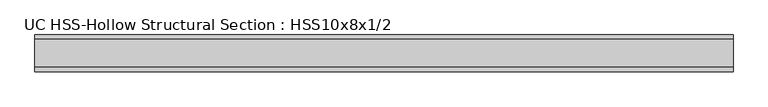
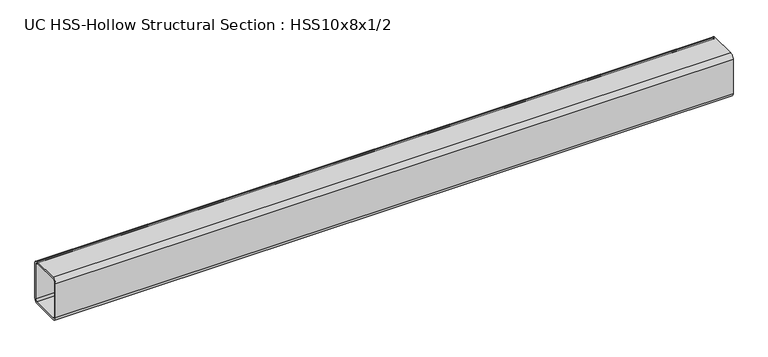
"""IFC4 building model written with IfcOpenShell, lengths in millimetres: beam geometry, UC HSS-Hollow Structural Section : HSS10x8x1/2."""

from ifc_helpers import new_model, si_unit, point, frame, frame_2d, origin, place, context, project, spatial, polyline, circle_curve, trimmed, segment, composite_curve, outline, extrude, source, transform, mapped, element, save


def uc_hss_hollow_structural_section_hss10x8x1_2_d5cf9301(model_context):
    return source(origin(), model_context, "Body", "SweptSolid", [
        extrude(outline(composite_curve([segment(trimmed(circle_curve(frame_2d((-77.978, 103.378)), 23.622), [point((-101.6, 103.378))], [point((-77.978, 127.0))], False, "CARTESIAN"), True, "CONTINUOUS"), segment(polyline([(-77.978, 127.0), (77.978, 127.0)]), True, "CONTINUOUS"), segment(trimmed(circle_curve(frame_2d((77.978, 103.378)), 23.622), [point((77.978, 127.0))], [point((101.6, 103.378))], False, "CARTESIAN"), True, "CONTINUOUS"), segment(polyline([(101.6, 103.378), (101.6, -103.378)]), True, "CONTINUOUS"), segment(trimmed(circle_curve(frame_2d((77.978, -103.378)), 23.622), [point((101.6, -103.378))], [point((77.978, -127.0))], False, "CARTESIAN"), True, "CONTINUOUS"), segment(polyline([(77.978, -127.0), (-77.978, -127.0)]), True, "CONTINUOUS"), segment(trimmed(circle_curve(frame_2d((-77.978, -103.378)), 23.622), [point((-77.978, -127.0))], [point((-101.6, -103.378))], False, "CARTESIAN"), True, "CONTINUOUS"), segment(polyline([(-101.6, -103.378), (-101.6, 103.378)]), True, "CONTINUOUS")], self_intersect=False), holes=[composite_curve([segment(polyline([(77.978, 115.189), (-77.978, 115.189)]), True, "CONTINUOUS"), segment(trimmed(circle_curve(frame_2d((-77.978, 103.378)), 11.811), [point((-77.978, 115.189))], [point((-89.789, 103.378))], True, "CARTESIAN"), True, "CONTINUOUS"), segment(polyline([(-89.789, 103.378), (-89.789, -103.378)]), True, "CONTINUOUS"), segment(trimmed(circle_curve(frame_2d((-77.978, -103.378)), 11.811), [point((-89.789, -103.378))], [point((-77.978, -115.189))], True, "CARTESIAN"), True, "CONTINUOUS"), segment(polyline([(-77.978, -115.189), (77.978, -115.189)]), True, "CONTINUOUS"), segment(trimmed(circle_curve(frame_2d((77.978, -103.378)), 11.811), [point((77.978, -115.189))], [point((89.789, -103.378))], True, "CARTESIAN"), True, "CONTINUOUS"), segment(polyline([(89.789, -103.378), (89.789, 103.378)]), True, "CONTINUOUS"), segment(trimmed(circle_curve(frame_2d((77.978, 103.378)), 11.811), [point((89.789, 103.378))], [point((77.978, 115.189))], True, "CARTESIAN"), True, "CONTINUOUS")], self_intersect=False)]), frame((-1968.4999994, 0.0, 0.0), z_axis=(1.0, 0.0, 0.0), x_axis=(0.0, 1.0, 0.0)), (0.0, 0.0, 1.0), 3860.7999994),
    ])


if __name__ == "__main__":
    model = new_model("IFC4")
    model_context = context("Model", 3, world=origin())
    ifc_project = project(units=[si_unit("LENGTHUNIT", "METRE", prefix="MILLI")], contexts=[model_context])
    site = spatial("IfcSite", under=ifc_project)
    building = spatial("IfcBuilding", under=site)
    placement = place(None, origin())
    uc_hss_hollow_structural_section_hss10x8x1_2_shape = uc_hss_hollow_structural_section_hss10x8x1_2_d5cf9301(model_context)
    element("IfcBeam", 1, ObjectType="UC HSS-Hollow Structural Section : HSS10x8x1/2", at=placement, inside=building, context=model_context, shape_type="MappedRepresentation", body=[
        mapped(uc_hss_hollow_structural_section_hss10x8x1_2_shape, transform((0.0, 0.0, 0.0), x_axis=(1.0, 0.0, 0.0), y_axis=(0.0, 1.0, 0.0), z_axis=(0.0, 0.0, 1.0))),
    ])
    save(model, "model.ifc")
